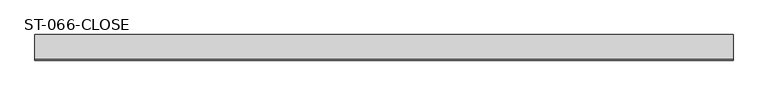
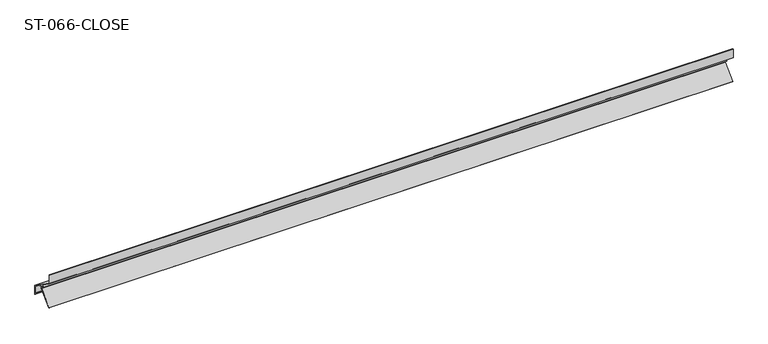
"""IFC4 building model written with IfcOpenShell, lengths in millimetres: plate geometry, ST-066-CLOSE."""

from ifc_helpers import new_model, si_unit, frame, origin, place, context, project, spatial, polyline, outline, extrude, source, transform, mapped, element, save


def st_066_close_7f1a092a(model_context):
    return source(origin(), model_context, "Body", "SweptSolid", [
        extrude(outline(polyline([(26.0635606, -41.2448935), (26.6900039, -43.5828117), (23.261302, -41.6032498), (25.6797539, -38.1493426), (0.0, -20.1681853), (0.0, 0.0), (1.4, 0.0), (1.4, -19.4393914), (55.0, -56.9705155), (55.0, -77.5167134), (50.1000729, -72.6167863), (50.948601, -71.7682582), (53.6, -74.4196572), (53.6, -57.6993094), (37.1920945, -46.2103702), (36.1028864, -45.8139309), (30.9718498, -42.2211404), (30.9718498, -48.5752921), (2.5839371, -76.9632048), (1.5939877, -75.9732553), (29.5718498, -47.9953931), (29.5718498, -44.6759712), (27.971912, -41.2448935), (26.0635606, -41.2448935)])), frame((-750.0, 0.0, 0.0), z_axis=(1.0, 0.0, 0.0), x_axis=(0.0, 1.0, 0.0)), (0.0, 0.0, 1.0), 1499.7321324),
    ])


if __name__ == "__main__":
    model = new_model("IFC4")
    model_context = context("Model", 3, world=origin())
    ifc_project = project(units=[si_unit("LENGTHUNIT", "METRE", prefix="MILLI")], contexts=[model_context])
    site = spatial("IfcSite", under=ifc_project)
    building = spatial("IfcBuilding", under=site)
    placement = place(None, origin())
    st_066_close_shape = st_066_close_7f1a092a(model_context)
    element("IfcPlate", 1, ObjectType="ST-066-CLOSE", at=placement, inside=building, context=model_context, shape_type="MappedRepresentation", body=[
        mapped(st_066_close_shape, transform((0.0, 0.0, 0.0), x_axis=(1.0, 0.0, 0.0), y_axis=(0.0, 1.0, 0.0), z_axis=(0.0, 0.0, 1.0))),
    ])
    save(model, "model.ifc")
